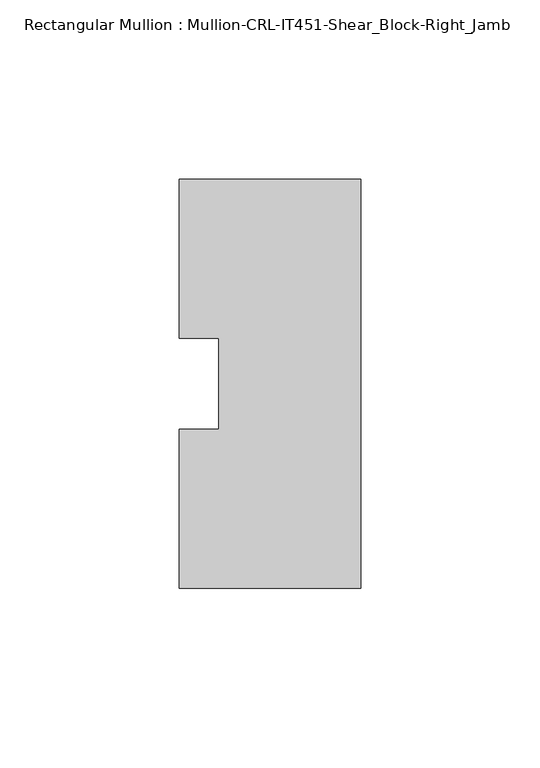
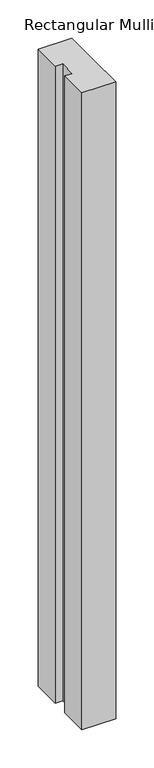
"""IFC4 building model written with IfcOpenShell, lengths in millimetres: member geometry, Rectangular Mullion : Mullion-CRL-IT451-Shear_Block-Right_Jamb."""

from ifc_helpers import new_model, si_unit, frame, origin, place, context, project, spatial, polyline, outline, extrude, source, transform, mapped, element, save


def rectangular_mullion_mullion_crl_it451_shear_block_right_jamb_bfbe90ed(model_context):
    return source(origin(), model_context, "Body", "SweptSolid", [
        extrude(outline(polyline([(0.0, -57.1909821), (-50.8, -57.1909821), (-50.8, -12.7), (-39.6875, -12.7), (-39.6875, 12.7), (-50.8, 12.7), (-50.8, 57.1090179), (0.0, 57.1090179), (0.0, 0.7488495), (0.0, -57.1909821)])), frame((0.0, 0.0, -1016.0), z_axis=(0.0, 0.0, 1.0), x_axis=(1.0, 0.0, 0.0)), (0.0, 0.0, 1.0), 1016.0),
    ])


if __name__ == "__main__":
    model = new_model("IFC4")
    model_context = context("Model", 3, world=origin())
    ifc_project = project(units=[si_unit("LENGTHUNIT", "METRE", prefix="MILLI")], contexts=[model_context])
    site = spatial("IfcSite", under=ifc_project)
    building = spatial("IfcBuilding", under=site)
    placement = place(None, origin())
    rectangular_mullion_mullion_crl_it451_shear_block_right_jamb_shape = rectangular_mullion_mullion_crl_it451_shear_block_right_jamb_bfbe90ed(model_context)
    element("IfcMember", 1, ObjectType="Rectangular Mullion : Mullion-CRL-IT451-Shear_Block-Right_Jamb", at=placement, inside=building, context=model_context, shape_type="MappedRepresentation", body=[
        mapped(rectangular_mullion_mullion_crl_it451_shear_block_right_jamb_shape, transform((0.0, 0.0, 0.0), x_axis=(1.0, 0.0, 0.0), y_axis=(0.0, 1.0, 0.0), z_axis=(0.0, 0.0, 1.0))),
    ])
    save(model, "model.ifc")
